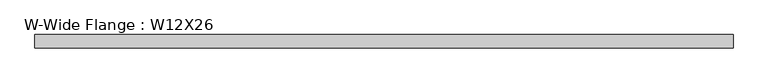
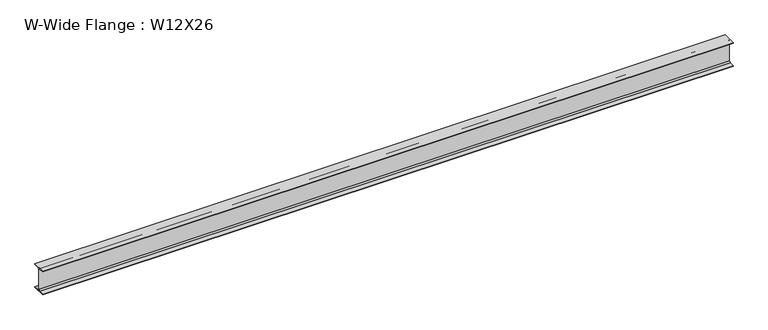
"""IFC4 building model written with IfcOpenShell, lengths in millimetres: beam geometry, W-Wide Flange : W12X26."""

from ifc_helpers import new_model, si_unit, point, frame, frame_2d, origin, place, context, project, spatial, polyline, circle_curve, trimmed, segment, composite_curve, outline, extrude, source, transform, mapped, element, save


def w_wide_flange_w12x26_4f55a199(model_context):
    return source(origin(), model_context, "Body", "SweptSolid", [
        extrude(outline(composite_curve([segment(polyline([(82.4011719, -145.5539063), (82.4011719, -155.178125), (-82.4011719, -155.178125), (-82.4011719, -145.5539063), (-20.2902344, -145.5539063)]), True, "CONTINUOUS"), segment(trimmed(circle_curve(frame_2d((-20.2902344, -128.190625)), 17.3632812), [point((-20.2902344, -145.5539063))], [point((-2.9269531, -128.190625))], True, "CARTESIAN"), True, "CONTINUOUS"), segment(polyline([(-2.9269531, -128.190625), (-2.9269531, 128.190625)]), True, "CONTINUOUS"), segment(trimmed(circle_curve(frame_2d((-20.2902344, 128.190625)), 17.3632812), [point((-2.9269531, 128.190625))], [point((-20.2902344, 145.5539062))], True, "CARTESIAN"), True, "CONTINUOUS"), segment(polyline([(-20.2902344, 145.5539062), (-82.4011719, 145.5539062), (-82.4011719, 155.178125), (82.4011719, 155.178125), (82.4011719, 145.5539062), (20.2902344, 145.5539062)]), True, "CONTINUOUS"), segment(trimmed(circle_curve(frame_2d((20.2902344, 128.190625)), 17.3632812), [point((20.2902344, 145.5539062))], [point((2.9269531, 128.190625))], True, "CARTESIAN"), True, "CONTINUOUS"), segment(polyline([(2.9269531, 128.190625), (2.9269531, -128.190625)]), True, "CONTINUOUS"), segment(trimmed(circle_curve(frame_2d((20.2902344, -128.190625)), 17.3632812), [point((2.9269531, -128.190625))], [point((20.2902344, -145.5539063))], True, "CARTESIAN"), True, "CONTINUOUS"), segment(polyline([(20.2902344, -145.5539063), (82.4011719, -145.5539063)]), True, "CONTINUOUS")], self_intersect=False)), frame((-4269.74, 0.0, 0.0), z_axis=(1.0, 0.0, 0.0), x_axis=(0.0, 1.0, 0.0)), (0.0, 0.0, 1.0), 8539.48),
    ])


if __name__ == "__main__":
    model = new_model("IFC4")
    model_context = context("Model", 3, world=origin())
    ifc_project = project(units=[si_unit("LENGTHUNIT", "METRE", prefix="MILLI")], contexts=[model_context])
    site = spatial("IfcSite", under=ifc_project)
    building = spatial("IfcBuilding", under=site)
    placement = place(None, origin())
    w_wide_flange_w12x26_shape = w_wide_flange_w12x26_4f55a199(model_context)
    element("IfcBeam", 1, ObjectType="W-Wide Flange : W12X26", at=placement, inside=building, context=model_context, shape_type="MappedRepresentation", body=[
        mapped(w_wide_flange_w12x26_shape, transform((0.0, 0.0, 0.0), x_axis=(1.0, 0.0, 0.0), y_axis=(0.0, 1.0, 0.0), z_axis=(0.0, 0.0, 1.0))),
    ])
    save(model, "model.ifc")
